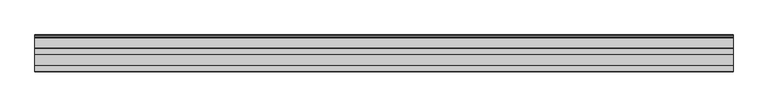
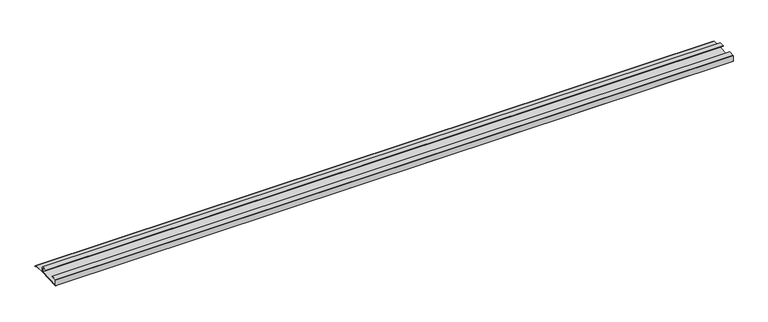
"""IFC4 building model written with IfcOpenShell, lengths in millimetres: furniture geometry."""

from ifc_helpers import new_model, si_unit, frame, origin, place, context, project, spatial, polyline, outline, extrude, source, transform, mapped, element, save


def furniture_3f996556(model_context):
    return source(origin(), model_context, "Body", "SweptSolid", [
        extrude(outline(polyline([(-16.1532518, 512.3076998), (-16.9376349, 511.8893742), (-18.5259585, 513.5599489), (-20.7474799, 514.175282), (-21.763438, 516.2072074), (-45.0034802, 516.2072074), (-92.6265287, 514.175282), (-93.3884975, 514.9372508), (-93.3884975, 527.3675), (-92.5947475, 528.16125), (-80.6890189, 528.16125), (-80.6890189, 527.3675), (-92.6265287, 527.3675), (-92.6265287, 514.9372631), (-45.0034802, 517.0009574), (-45.0034802, 527.3675), (-56.9409919, 527.3675), (-56.9409919, 528.16125), (-45.0352673, 528.16125), (-44.2415173, 527.3675), (-44.2415173, 517.0009574), (-21.763438, 517.0009574), (-20.7474799, 515.1912447), (-18.0685872, 514.3222207), (-16.1532518, 512.3076998)])), frame((-715.1345592, 0.0, 0.0), z_axis=(1.0, 0.0, 0.0), x_axis=(0.0, 1.0, 0.0)), (0.0, 0.0, 1.0), 1469.2122),
    ])


if __name__ == "__main__":
    model = new_model("IFC4")
    model_context = context("Model", 3, world=origin())
    ifc_project = project(units=[si_unit("LENGTHUNIT", "METRE", prefix="MILLI")], contexts=[model_context])
    site = spatial("IfcSite", under=ifc_project)
    building = spatial("IfcBuilding", under=site)
    placement = place(None, origin())
    furniture_shape = furniture_3f996556(model_context)
    element("IfcFurniture", 1, at=placement, inside=building, context=model_context, shape_type="MappedRepresentation", body=[
        mapped(furniture_shape, transform((0.0, 0.0, 0.0), x_axis=(1.0, 0.0, 0.0), y_axis=(0.0, 1.0, 0.0), z_axis=(0.0, 0.0, 1.0))),
    ])
    save(model, "model.ifc")
